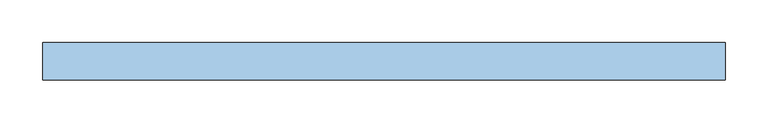
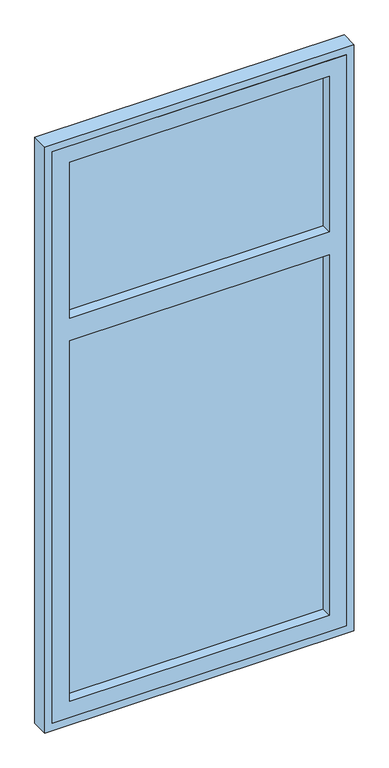
"""IFC4 building model written with IfcOpenShell, lengths in millimetres: window geometry."""

import ifcopenshell
import ifcopenshell.guid

model = None  # the IFC model being written
_history = None  # IfcOwnerHistory: only IFC2X3 demands one
_inside = {}  # id of a spatial element -> (the spatial element, [elements in it])
_under = {}  # id of a project, library or spatial element -> (it, [spatial elements below it])
_declared = {}  # id of a project -> (the project, [libraries it declares])
_typed = {}  # id of a type object -> (the type object, [elements of that type])
_made_of = {}  # id of a material, layer set ... -> (it, [elements and type objects made of it])


def new_model(schema):
    """Start an empty IFC model of exactly this schema.

    Asked for "IFC4X3", IfcOpenShell would pick the latest addendum, in which some entities
    have other attributes; the version numbers below select the first issue.
    IFC2X3 requires an IfcOwnerHistory on every rooted entity: one is made here for all.
    """
    global model, _history
    if schema == "IFC4X3":
        model = ifcopenshell.file(schema_version=(4, 3, 0, 0))
    else:
        model = ifcopenshell.file(schema=schema)
    _inside.clear()
    _under.clear()
    _declared.clear()
    _typed.clear()
    _made_of.clear()
    _history = None
    if model.schema == "IFC2X3":
        org = make("IfcOrganization", Name="unknown")
        user = make(
            "IfcPersonAndOrganization",
            ThePerson=make("IfcPerson", FamilyName="unknown"),
            TheOrganization=org,
        )
        app = make(
            "IfcApplication",
            ApplicationDeveloper=org,
            Version="unknown",
            ApplicationFullName="unknown",
            ApplicationIdentifier="unknown",
        )
        _history = make(
            "IfcOwnerHistory",
            OwningUser=user,
            OwningApplication=app,
            ChangeAction="ADDED",
            CreationDate=0,
        )
    return model


def make(cls, **values):
    """One entity of the class cls with the attributes given. An attribute that is None is left unset."""
    return model.create_entity(
        cls, **{name: value for name, value in values.items() if value is not None}
    )


def rooted(cls, **values):
    """An entity with a GlobalId (a new one), such as an element, a storey or a relation."""
    return make(cls, GlobalId=ifcopenshell.guid.new(), OwnerHistory=_history, **values)


def si_unit(unit_type, name, prefix=None):
    """IfcSIUnit, for example si_unit("LENGTHUNIT", "METRE", prefix="MILLI")."""
    return make("IfcSIUnit", UnitType=unit_type, Prefix=prefix, Name=name)


def assignment(units):
    """IfcUnitAssignment: the units of a project."""
    return None if units is None else make("IfcUnitAssignment", Units=units)


def point(xyz):
    """IfcCartesianPoint."""
    return None if xyz is None else make("IfcCartesianPoint", Coordinates=xyz)


def direction(xyz):
    """IfcDirection."""
    return None if xyz is None else make("IfcDirection", DirectionRatios=xyz)


def frame(location, z_axis=None, x_axis=None):
    """IfcAxis2Placement3D, a coordinate frame: its origin and axes. An axis left out is left unset."""
    return make(
        "IfcAxis2Placement3D",
        Location=point(location),
        Axis=direction(z_axis),
        RefDirection=direction(x_axis),
    )


def origin():
    """The frame at (0, 0, 0) with its axes left unset."""
    return frame((0.0, 0.0, 0.0))


def place(relative_to, where):
    """IfcLocalPlacement: puts the frame where relative to a parent placement (None: the world)."""
    return make(
        "IfcLocalPlacement", PlacementRelTo=relative_to, RelativePlacement=where
    )


def context(
    kind, dimensions, precision=None, world=None, true_north=None, identifier=None
):
    """IfcGeometricRepresentationContext, for example the 3D "Model" context."""
    return make(
        "IfcGeometricRepresentationContext",
        ContextIdentifier=identifier,
        ContextType=kind,
        CoordinateSpaceDimension=dimensions,
        Precision=precision,
        WorldCoordinateSystem=world,
        TrueNorth=true_north,
    )


def project(units=None, contexts=None):
    """IfcProject with its units and contexts."""
    return rooted(
        "IfcProject",
        Name="project",
        RepresentationContexts=contexts,
        UnitsInContext=assignment(units),
    )


def spatial(cls, under=None, at=None, **own):
    """A site, building, storey or space (cls), placed at a placement, below another one or the project."""
    s = rooted(cls, ObjectPlacement=at, **own)
    if under is not None:
        _under.setdefault(under.id(), (under, []))[1].append(s)
    return s


def polyline(points):
    """IfcPolyline through the points."""
    return make("IfcPolyline", Points=[point(p) for p in points])


def outline(outer, holes=None, kind="AREA"):
    """IfcArbitraryClosedProfileDef: a profile drawn as a closed curve; with holes, ...WithVoids."""
    if holes is None:
        return make("IfcArbitraryClosedProfileDef", ProfileType=kind, OuterCurve=outer)
    return make(
        "IfcArbitraryProfileDefWithVoids",
        ProfileType=kind,
        OuterCurve=outer,
        InnerCurves=holes,
    )


def extrude(swept, where, along, depth):
    """IfcExtrudedAreaSolid: the profile swept, set in the frame where, extruded along a direction by depth."""
    return make(
        "IfcExtrudedAreaSolid",
        SweptArea=swept,
        Position=where,
        ExtrudedDirection=direction(along),
        Depth=depth,
    )


def shape(context_of_items, identifier, shape_type, items):
    """IfcShapeRepresentation: the items that make up one representation, for example the "Body"."""
    return make(
        "IfcShapeRepresentation",
        ContextOfItems=context_of_items,
        RepresentationIdentifier=identifier,
        RepresentationType=shape_type,
        Items=items,
    )


def source(mapping_origin, context_of_items, identifier, shape_type, items):
    """IfcRepresentationMap: a shape defined once, which mapped items show again and again."""
    return make(
        "IfcRepresentationMap",
        MappingOrigin=mapping_origin,
        MappedRepresentation=shape(context_of_items, identifier, shape_type, items),
    )


def transform(
    local_origin,
    x_axis=None,
    y_axis=None,
    z_axis=None,
    scale=None,
    scale2=None,
    scale3=None,
    uniform=True,
):
    """IfcCartesianTransformationOperator3D, or its non-uniform kind. x_axis, y_axis, z_axis: its Axis1, 2, 3."""
    if uniform:
        return make(
            "IfcCartesianTransformationOperator3D",
            Axis1=direction(x_axis),
            Axis2=direction(y_axis),
            LocalOrigin=point(local_origin),
            Scale=scale,
            Axis3=direction(z_axis),
        )
    return make(
        "IfcCartesianTransformationOperator3DnonUniform",
        Axis1=direction(x_axis),
        Axis2=direction(y_axis),
        LocalOrigin=point(local_origin),
        Scale=scale,
        Axis3=direction(z_axis),
        Scale2=scale2,
        Scale3=scale3,
    )


def mapped(mapping_source, mapping_target):
    """IfcMappedItem: shows the shape of a source again, moved by a transform."""
    return make(
        "IfcMappedItem", MappingSource=mapping_source, MappingTarget=mapping_target
    )


def made_of(thing, what):
    """Note that an element or type object is made of a material, layer set ...; save() writes the relation."""
    if what is not None:
        _made_of.setdefault(what.id(), (what, []))[1].append(thing)
    return thing


def element(
    cls,
    number,
    at=None,
    inside=None,
    cuts=None,
    type_object=None,
    material=None,
    context=None,
    identifier="Body",
    shape_type=None,
    held_by="IfcProductDefinitionShape",
    body=None,
    shapes=None,
    **own,
):
    """One element of the class cls, such as IfcWall. Its Tag is "e" and its number.

    at: its placement. inside: the storey or other place that contains it. cuts: it is an
    opening in that element (IfcRelVoidsElement). A single representation is given by context,
    identifier, shape_type and body (its items); several are given by shapes. held_by: the class
    of the entity that holds the representations. save() writes the other relations.
    """
    e = rooted(cls, Tag="e%d" % number, ObjectPlacement=at, **own)
    if body is not None:
        shapes = [shape(context, identifier, shape_type, body)]
    if shapes is not None:
        e.Representation = make(held_by, Representations=shapes)
    if inside is not None:
        _inside.setdefault(inside.id(), (inside, []))[1].append(e)
    if cuts is not None:
        rooted(
            "IfcRelVoidsElement", RelatingBuildingElement=cuts, RelatedOpeningElement=e
        )
    if type_object is not None:
        _typed.setdefault(type_object.id(), (type_object, []))[1].append(e)
    return made_of(e, material)


def aggregate(whole, parts):
    """IfcRelAggregates: a whole, such as a stair, and the parts it consists of."""
    return rooted("IfcRelAggregates", RelatingObject=whole, RelatedObjects=parts)


def save(model, path):
    """Write the relations noted so far, then the file.

    IfcRelAggregates (storeys below a building ...), IfcRelContainedInSpatialStructure (elements
    in a storey), IfcRelDefinesByType, IfcRelAssociatesMaterial and IfcRelDeclares: one each for
    every whole, place, type object, material and project.
    """
    for whole, parts in _under.values():
        aggregate(whole, parts)
    for where, things in _inside.values():
        rooted(
            "IfcRelContainedInSpatialStructure",
            RelatedElements=things,
            RelatingStructure=where,
        )
    for kind, things in _typed.values():
        rooted("IfcRelDefinesByType", RelatedObjects=things, RelatingType=kind)
    for what, things in _made_of.values():
        rooted("IfcRelAssociatesMaterial", RelatedObjects=things, RelatingMaterial=what)
    for by, libraries in _declared.values():
        rooted("IfcRelDeclares", RelatingContext=by, RelatedDefinitions=libraries)
    model.write(path)


def window_8dbdc18a(model_context):
    return source(origin(), model_context, "Body", "SweptSolid", [
        extrude(outline(polyline([(336.0, 84.0), (-336.0, 84.0), (-336.0, 90.0), (336.0, 90.0), (336.0, 84.0)])), frame((0.0, 0.0, 964.0), z_axis=(0.0, 0.0, 1.0), x_axis=(1.0, 0.0, 0.0)), (0.0, 0.0, 1.0), 985.0),
        extrude(outline(polyline([(336.0, 84.0), (-336.0, 84.0), (-336.0, 90.0), (336.0, 90.0), (336.0, 84.0)])), frame((0.0, 0.0, 2011.0), z_axis=(0.0, 0.0, 1.0), x_axis=(1.0, 0.0, 0.0)), (0.0, 0.0, 1.0), 425.0),
        extrude(outline(polyline([(2480.0, 380.0), (2480.0, -380.0), (920.0, -380.0), (920.0, 380.0), (2480.0, 380.0)]), holes=[polyline([(2436.0, -336.0), (2436.0, 336.0), (2011.0, 336.0), (2011.0, -336.0), (2436.0, -336.0)]), polyline([(964.0, -336.0), (1949.0, -336.0), (1949.0, 336.0), (964.0, 336.0), (964.0, -336.0)])]), frame((0.0, 56.0, 0.0), z_axis=(0.0, 1.0, 0.0), x_axis=(0.0, 0.0, 1.0)), (0.0, 0.0, 1.0), 44.0),
        extrude(outline(polyline([(2500.0, 400.0), (2500.0, -400.0), (900.0, -400.0), (900.0, 400.0), (2500.0, 400.0)]), holes=[polyline([(920.0, -380.0), (2480.0, -380.0), (2480.0, 380.0), (920.0, 380.0), (920.0, -380.0)])]), frame((0.0, 56.0, 0.0), z_axis=(0.0, 1.0, 0.0), x_axis=(0.0, 0.0, 1.0)), (0.0, 0.0, 1.0), 44.0),
    ])


if __name__ == "__main__":
    model = new_model("IFC4")
    model_context = context("Model", 3, world=origin())
    ifc_project = project(units=[si_unit("LENGTHUNIT", "METRE", prefix="MILLI")], contexts=[model_context])
    site = spatial("IfcSite", under=ifc_project)
    building = spatial("IfcBuilding", under=site)
    placement = place(None, origin())
    window_shape = window_8dbdc18a(model_context)
    element("IfcWindow", 1, at=placement, inside=building, context=model_context, shape_type="MappedRepresentation", body=[
        mapped(window_shape, transform((0.0, 0.0, 0.0), x_axis=(1.0, 0.0, 0.0), y_axis=(0.0, 1.0, 0.0), z_axis=(0.0, 0.0, 1.0))),
    ])
    save(model, "model.ifc")
